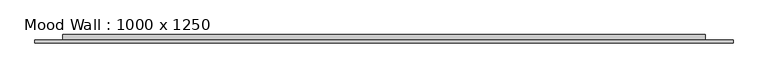
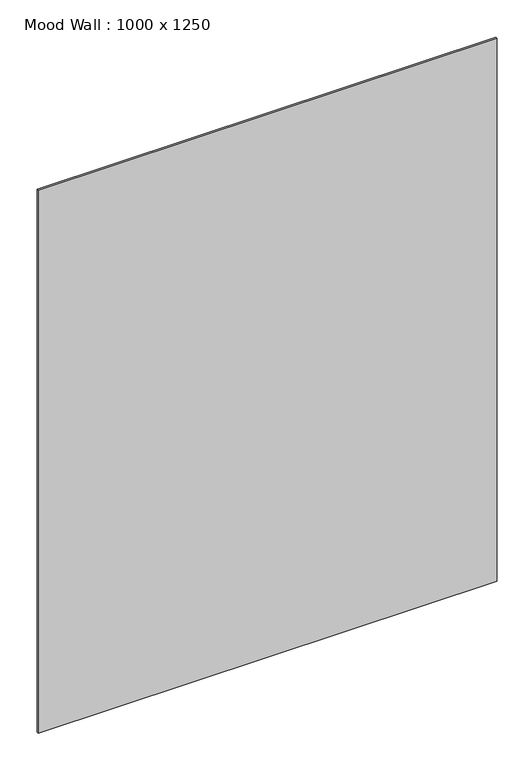
"""IFC4 building model written with IfcOpenShell, lengths in millimetres: furniture geometry, Mood Wall : 1000 x 1250."""

from ifc_helpers import new_model, si_unit, frame, origin, origin_with_axes, place, context, project, spatial, polyline, outline, extrude, source, transform, mapped, element, save


def mood_wall_1000_x_1250_b5a9dfb0(model_context):
    return source(origin(), model_context, "Body", "SweptSolid", [
        extrude(outline(polyline([(500.0128906, -8.0), (500.0128906, -12.0), (-500.0128906, -12.0), (-500.0128906, -8.0), (500.0128906, -8.0)])), origin_with_axes(), (0.0, 0.0, 1.0), 1249.9578125),
        extrude(outline(polyline([(460.0128906, 0.0), (460.0128906, -8.0), (-460.0128906, -8.0), (-460.0128906, 0.0), (460.0128906, 0.0)])), frame((0.0, 0.0, 40.0), z_axis=(0.0, 0.0, 1.0), x_axis=(1.0, 0.0, 0.0)), (0.0, 0.0, 1.0), 1169.9578125),
    ])


if __name__ == "__main__":
    model = new_model("IFC4")
    model_context = context("Model", 3, world=origin())
    ifc_project = project(units=[si_unit("LENGTHUNIT", "METRE", prefix="MILLI")], contexts=[model_context])
    site = spatial("IfcSite", under=ifc_project)
    building = spatial("IfcBuilding", under=site)
    placement = place(None, origin())
    mood_wall_1000_x_1250_shape = mood_wall_1000_x_1250_b5a9dfb0(model_context)
    element("IfcFurniture", 1, ObjectType="Mood Wall : 1000 x 1250", at=placement, inside=building, context=model_context, shape_type="MappedRepresentation", body=[
        mapped(mood_wall_1000_x_1250_shape, transform((0.0, 0.0, 0.0), x_axis=(1.0, 0.0, 0.0), y_axis=(0.0, 1.0, 0.0), z_axis=(0.0, 0.0, 1.0))),
    ])
    save(model, "model.ifc")
